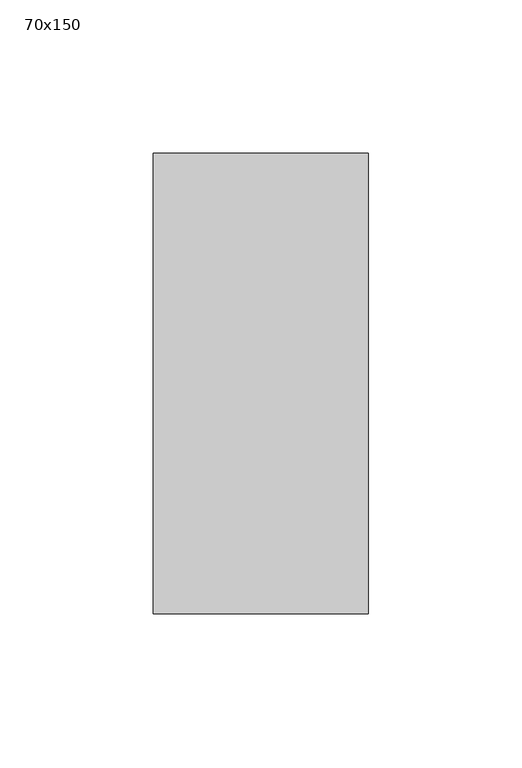
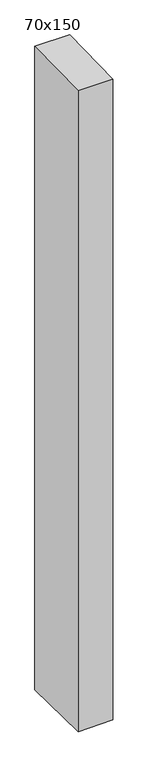
"""IFC4 building model written with IfcOpenShell, lengths in millimetres: member geometry, 70x150."""

from ifc_helpers import new_model, si_unit, frame, origin, place, context, project, spatial, polyline, outline, extrude, source, transform, mapped, element, save


def member_70x150_5ac1a337(model_context):
    return source(origin(), model_context, "Body", "SweptSolid", [
        extrude(outline(polyline([(-75.0, -1.7584954), (75.0, 1.7584954), (75.0, -1365.5340075), (-75.0, -1363.2676019), (-75.0, -1.7584954)])), frame((-35.0, 0.0, 0.0), z_axis=(1.0, 0.0, 0.0), x_axis=(0.0, 1.0, 0.0)), (0.0, 0.0, 1.0), 70.0),
    ])


if __name__ == "__main__":
    model = new_model("IFC4")
    model_context = context("Model", 3, world=origin())
    ifc_project = project(units=[si_unit("LENGTHUNIT", "METRE", prefix="MILLI")], contexts=[model_context])
    site = spatial("IfcSite", under=ifc_project)
    building = spatial("IfcBuilding", under=site)
    placement = place(None, origin())
    member_70x150_shape = member_70x150_5ac1a337(model_context)
    element("IfcMember", 1, ObjectType="70x150", at=placement, inside=building, context=model_context, shape_type="MappedRepresentation", body=[
        mapped(member_70x150_shape, transform((0.0, 0.0, 0.0), x_axis=(1.0, 0.0, 0.0), y_axis=(0.0, 1.0, 0.0), z_axis=(0.0, 0.0, 1.0))),
    ])
    save(model, "model.ifc")
